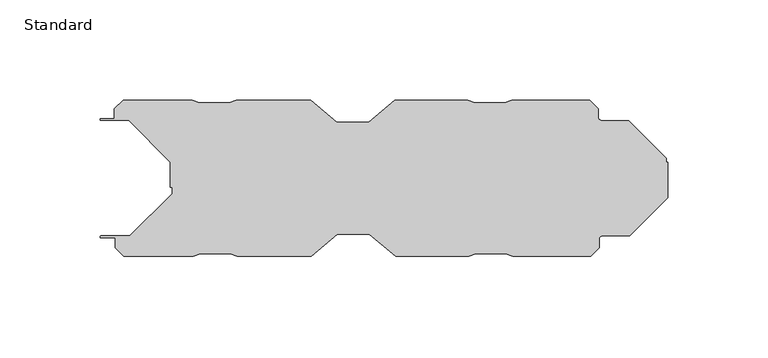
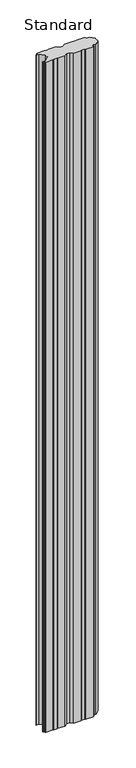
"""IFC4 building model written with IfcOpenShell, lengths in millimetres: plate geometry, Standard."""

from ifc_helpers import new_model, si_unit, point, frame_2d, origin, origin_with_axes, place, context, project, spatial, polyline, circle_curve, trimmed, segment, composite_curve, outline, extrude, source, transform, mapped, element, save


def standard_0a1c291c(model_context):
    return source(origin(), model_context, "Body", "SweptSolid", [
        extrude(outline(composite_curve([segment(polyline([(-19.3249994, 39.0), (-6.3250017, 28.000002), (9.6750035, 28.000002), (22.6750012, 39.0), (59.175002, 39.0), (62.6749951, 37.800073), (77.6750067, 37.800073), (81.1749998, 39.0), (120.1750023, 39.0), (124.4176464, 34.7573565), (124.4176464, 30.425002)]), True, "CONTINUOUS"), segment(trimmed(circle_curve(frame_2d((126.0426464, 30.425002)), 1.625), [point((124.4176464, 30.425002))], [point((126.0426464, 28.800002))], True, "CARTESIAN"), True, "CONTINUOUS"), segment(polyline([(126.0426464, 28.800002), (139.6176448, 28.800002), (158.3666394, 10.0510074), (158.3666394, 7.998993), (159.1666394, 7.998993), (159.1666394, -9.7010075), (140.0676438, -28.800002), (126.4926464, -28.800002)]), True, "CONTINUOUS"), segment(trimmed(circle_curve(frame_2d((126.4926464, -30.425002)), 1.625), [point((126.4926464, -28.800002))], [point((124.8676464, -30.425002))], True, "CARTESIAN"), True, "CONTINUOUS"), segment(polyline([(124.8676464, -30.425002), (124.8676464, -34.7573564), (120.6250028, -39.0), (81.6250001, -39.0), (78.1250034, -37.800073), (63.1249984, -37.800073), (59.6250017, -39.0), (23.1250012, -39.0), (10.1250035, -28.000002), (-5.8750018, -28.000002), (-18.8749994, -39.0), (-55.8749992, -39.0), (-59.3749992, -37.800026), (-74.3749994, -37.800026), (-77.8749384, -39.000002), (-112.5214701, -39.000002), (-116.8720259, -34.6494456), (-116.8720259, -29.750026), (-123.9750002, -29.750026)]), True, "CONTINUOUS"), segment(trimmed(circle_curve(frame_2d((-123.9750002, -29.300026)), 0.45), [point((-123.9750002, -29.750026))], [point((-123.9750002, -28.850026))], False, "CARTESIAN"), True, "CONTINUOUS"), segment(polyline([(-123.9750002, -28.850026), (-109.6785616, -28.850026), (-88.5118076, -7.683272), (-88.5118076, -4.613175), (-89.3118076, -4.613175), (-89.3118076, 8.033272), (-110.1285615, 28.8500259), (-123.9750001, 28.8500259)]), True, "CONTINUOUS"), segment(trimmed(circle_curve(frame_2d((-123.9750001, 29.3000259)), 0.4500001), [point((-123.9750001, 28.8500259))], [point((-123.9750001, 29.750026))], False, "CARTESIAN"), True, "CONTINUOUS"), segment(polyline([(-123.9750001, 29.750026), (-117.3249996, 29.750026), (-117.3249996, 34.6464725), (-112.9714455, 39.000026), (-78.3250084, 39.000026), (-74.8249994, 37.800026), (-59.8249981, 37.800026), (-56.3249993, 39.0), (-19.3249994, 39.0)]), True, "CONTINUOUS")], self_intersect=False)), origin_with_axes(), (0.0, 0.0, 1.0), 3497.7),
    ])


if __name__ == "__main__":
    model = new_model("IFC4")
    model_context = context("Model", 3, world=origin())
    ifc_project = project(units=[si_unit("LENGTHUNIT", "METRE", prefix="MILLI")], contexts=[model_context])
    site = spatial("IfcSite", under=ifc_project)
    building = spatial("IfcBuilding", under=site)
    placement = place(None, origin())
    standard_shape = standard_0a1c291c(model_context)
    element("IfcPlate", 1, ObjectType="Standard", at=placement, inside=building, context=model_context, shape_type="MappedRepresentation", body=[
        mapped(standard_shape, transform((0.0, 0.0, 0.0), x_axis=(1.0, 0.0, 0.0), y_axis=(0.0, 1.0, 0.0), z_axis=(0.0, 0.0, 1.0))),
    ])
    save(model, "model.ifc")
